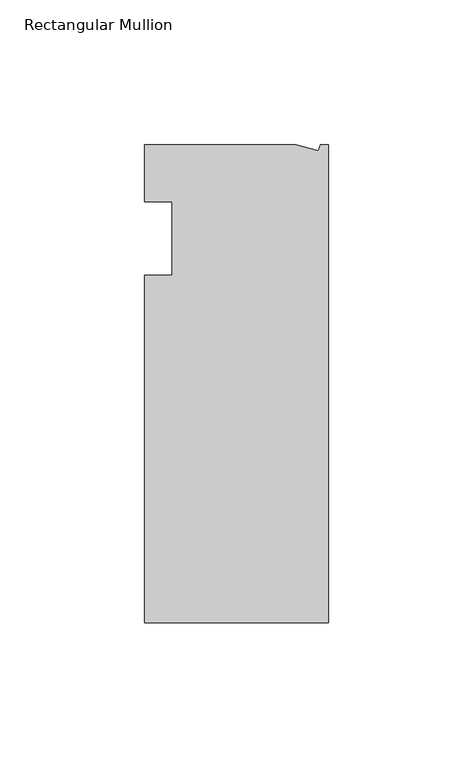
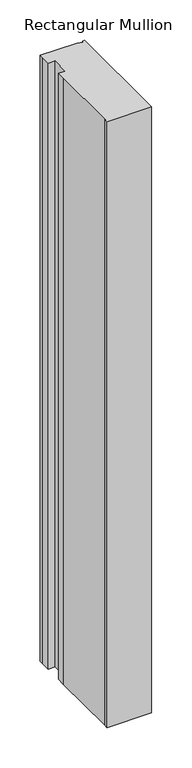
"""IFC4 building model written with IfcOpenShell, lengths in millimetres: member geometry, Rectangular Mullion."""

from ifc_helpers import new_model, si_unit, frame, origin, place, context, project, spatial, polyline, outline, extrude, source, transform, mapped, element, save


def rectangular_mullion_b0c63b2d(model_context):
    return source(origin(), model_context, "Body", "SweptSolid", [
        extrude(outline(polyline([(-11.1265412, 19.6597595), (-3.3457217, 17.5748952), (-2.787084, 19.6597595), (0.0, 19.6597595), (0.0, -145.4402405), (-63.5, -145.4402405), (-63.5, -139.0912246), (-63.5, -38.3358837), (-63.5, -25.4), (-53.975, -25.4), (-53.975, 0.0), (-63.5, 0.0), (-63.5, 13.6093403), (-63.5, 19.6597595), (-11.1265412, 19.6597595)])), frame((0.0, 0.0, -914.4), z_axis=(0.0, 0.0, 1.0), x_axis=(1.0, 0.0, 0.0)), (0.0, 0.0, 1.0), 914.4),
    ])


if __name__ == "__main__":
    model = new_model("IFC4")
    model_context = context("Model", 3, world=origin())
    ifc_project = project(units=[si_unit("LENGTHUNIT", "METRE", prefix="MILLI")], contexts=[model_context])
    site = spatial("IfcSite", under=ifc_project)
    building = spatial("IfcBuilding", under=site)
    placement = place(None, origin())
    rectangular_mullion_shape = rectangular_mullion_b0c63b2d(model_context)
    element("IfcMember", 1, ObjectType="Rectangular Mullion", at=placement, inside=building, context=model_context, shape_type="MappedRepresentation", body=[
        mapped(rectangular_mullion_shape, transform((0.0, 0.0, 0.0), x_axis=(1.0, 0.0, 0.0), y_axis=(0.0, 1.0, 0.0), z_axis=(0.0, 0.0, 1.0))),
    ])
    save(model, "model.ifc")
